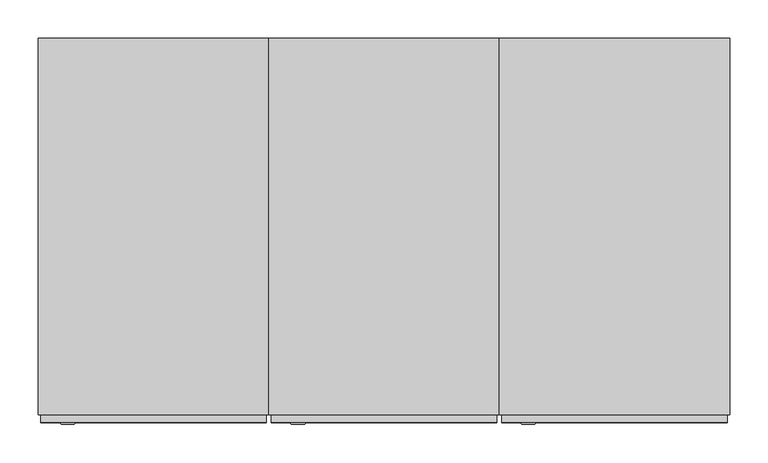
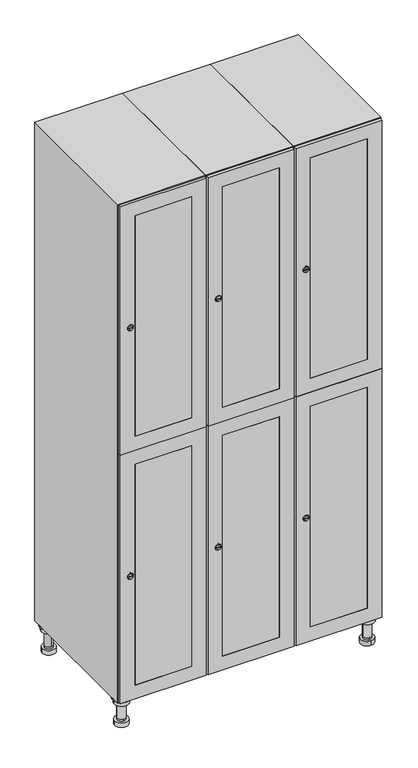
"""IFC4 building model written with IfcOpenShell, lengths in millimetres: furniture geometry."""

from ifc_helpers import new_model, si_unit, point, frame, frame_2d, origin, place, context, project, spatial, polyline, circle_curve, trimmed, segment, composite_curve, outline, extrude, faceted_brep, source, transform, mapped, element, save
from ifc_brep_helpers import plane_surface, cylinder_surface, revolved_surface, advanced_brep


def furniture_b969896b(model_context):
    return source(origin(), model_context, "Body", "SolidModel", [
        advanced_brep(
        [(670.0, -201.0, 22.0), (670.0, -201.5, 16.0), (670.0, -228.5, 16.0), (670.0, -229.0, 22.0), (656.0, -215.0, 22.0), (684.0, -215.0, 22.0), (670.0, -192.5, 16.0), (670.0, -237.5, 16.0), (670.0, -192.5, 0.0), (670.0, -237.5, 0.0), (684.0, -215.0, 78.0), (656.0, -215.0, 78.0), (695.0, -215.0, 78.0), (645.0, -215.0, 78.0), (700.0, -215.0, 94.0), (640.0, -215.0, 94.0), (645.0, -215.0, 94.0), (695.0, -215.0, 94.0), (700.0, -215.0, 100.0), (640.0, -215.0, 100.0)],
        [
            (0, 1),
            (1, 2, circle_curve(frame((670.0, -215.0, 16.0), z_axis=(0.0, 0.0, 1.0), x_axis=(0.0, -1.0, 0.0)), 13.5)),
            (2, 3),
            (3, 4, circle_curve(frame((670.0, -215.0, 22.0), z_axis=(0.0, 0.0, -1.0), x_axis=(0.0, -1.0, 0.0)), 14.0)),
            (4, 0, circle_curve(frame((670.0, -215.0, 22.0), z_axis=(0.0, 0.0, -1.0), x_axis=(0.0, -1.0, 0.0)), 14.0)),
            (0, 5, circle_curve(frame((670.0, -215.0, 22.0), z_axis=(0.0, 0.0, -1.0), x_axis=(0.0, 1.0, 0.0)), 14.0)),
            (5, 3, circle_curve(frame((670.0, -215.0, 22.0), z_axis=(0.0, 0.0, -1.0), x_axis=(0.0, 1.0, 0.0)), 14.0)),
            (2, 1, circle_curve(frame((670.0, -215.0, 16.0), z_axis=(0.0, 0.0, 1.0), x_axis=(0.0, 1.0, 0.0)), 13.5)),
            (6, 7, circle_curve(frame((670.0, -215.0, 16.0), z_axis=(0.0, 0.0, 1.0), x_axis=(0.0, -1.0, 0.0)), 22.5)),
            (7, 6, circle_curve(frame((670.0, -215.0, 16.0), z_axis=(0.0, 0.0, 1.0), x_axis=(0.0, -1.0, 0.0)), 22.5)),
            (8, 9, circle_curve(frame((670.0, -215.0, 0.0), z_axis=(0.0, 0.0, -1.0), x_axis=(0.0, -1.0, 0.0)), 22.5)),
            (9, 8, circle_curve(frame((670.0, -215.0, 0.0), z_axis=(0.0, 0.0, -1.0), x_axis=(0.0, -1.0, 0.0)), 22.5)),
            (6, 8),
            (9, 7),
            (5, 10),
            (10, 11, circle_curve(frame((670.0, -215.0, 78.0), z_axis=(0.0, 0.0, -1.0), x_axis=(-1.0, 0.0, 0.0)), 14.0)),
            (11, 4),
            (11, 10, circle_curve(frame((670.0, -215.0, 78.0), z_axis=(0.0, 0.0, -1.0), x_axis=(-1.0, 0.0, 0.0)), 14.0)),
            (12, 13, circle_curve(frame((670.0, -215.0, 78.0), z_axis=(0.0, 0.0, -1.0), x_axis=(-1.0, 0.0, 0.0)), 25.0)),
            (13, 12, circle_curve(frame((670.0, -215.0, 78.0), z_axis=(0.0, 0.0, -1.0), x_axis=(-1.0, 0.0, 0.0)), 25.0)),
            (14, 15, circle_curve(frame((670.0, -215.0, 94.0), z_axis=(0.0, 0.0, -1.0), x_axis=(-1.0, 0.0, 0.0)), 30.0)),
            (15, 14, circle_curve(frame((670.0, -215.0, 94.0), z_axis=(0.0, 0.0, -1.0), x_axis=(-1.0, 0.0, 0.0)), 30.0)),
            (16, 17, circle_curve(frame((670.0, -215.0, 94.0), z_axis=(0.0, 0.0, 1.0), x_axis=(-1.0, 0.0, 0.0)), 25.0)),
            (17, 16, circle_curve(frame((670.0, -215.0, 94.0), z_axis=(0.0, 0.0, 1.0), x_axis=(-1.0, 0.0, 0.0)), 25.0)),
            (18, 19, circle_curve(frame((670.0, -215.0, 100.0), z_axis=(0.0, 0.0, 1.0), x_axis=(-1.0, 0.0, 0.0)), 30.0)),
            (19, 18, circle_curve(frame((670.0, -215.0, 100.0), z_axis=(0.0, 0.0, 1.0), x_axis=(-1.0, 0.0, 0.0)), 30.0)),
            (14, 18),
            (19, 15),
            (12, 17),
            (16, 13),
        ],
        [
            revolved_surface(polyline([(670.0, -201.5, 16.0), (670.0, -201.0, 22.0)]), (670.0, -215.0, -146.0), (0.0, 0.0, 1.0)),
            plane_surface(frame((670.0, 0.0, 16.0), z_axis=(0.0, 0.0, 1.0), x_axis=(0.0, -1.0, 0.0))),
            plane_surface(frame((670.0, 0.0, 0.0), z_axis=(0.0, 0.0, -1.0), x_axis=(0.0, -1.0, 0.0))),
            cylinder_surface(frame((670.0, -215.0, 16.0), z_axis=(0.0, 0.0, 1.0), x_axis=(0.0, -1.0, 0.0)), 22.5),
            cylinder_surface(frame((670.0, -215.0, 22.0), z_axis=(0.0, 0.0, -1.0), x_axis=(-1.0, 0.0, 0.0)), 14.0),
            plane_surface(frame((670.0, 0.0, 78.0), z_axis=(0.0, 0.0, -1.0), x_axis=(0.0, -1.0, 0.0))),
            plane_surface(frame((670.0, 0.0, 94.0), z_axis=(0.0, 0.0, -1.0), x_axis=(0.0, -1.0, 0.0))),
            plane_surface(frame((670.0, 0.0, 100.0), z_axis=(0.0, 0.0, 1.0), x_axis=(0.0, -1.0, 0.0))),
            cylinder_surface(frame((670.0, -215.0, 94.0), z_axis=(0.0, 0.0, -1.0), x_axis=(-1.0, 0.0, 0.0)), 30.0),
            cylinder_surface(frame((670.0, -215.0, 78.0), z_axis=(0.0, 0.0, -1.0), x_axis=(-1.0, 0.0, 0.0)), 25.0),
        ],
        [
            (0, [[1, 2, 3, 4, 5]]),
            (0, [[-1, 6, 7, -3, 8]]),
            (1, [[9, 10], [-2, -8]]),
            (2, [[11, 12]]),
            (3, [[-9, 13, -12, 14]]),
            (3, [[-10, -14, -11, -13]]),
            (4, [[15, 16, 17, -4, -7]]),
            (4, [[-15, -6, -5, -17, 18]]),
            (5, [[19, 20], [-16, -18]]),
            (6, [[21, 22], [23, 24]]),
            (7, [[25, 26]]),
            (8, [[-21, 27, -26, 28]]),
            (8, [[-22, -28, -25, -27]]),
            (9, [[-19, 29, -23, 30]]),
            (9, [[-20, -30, -24, -29]]),
        ],
    ),
        advanced_brep(
        [(-170.0, -201.0, 22.0), (-170.0, -201.5, 16.0), (-170.0, -228.5, 16.0), (-170.0, -229.0, 22.0), (-184.0, -215.0, 22.0), (-156.0, -215.0, 22.0), (-147.5, -215.0, 0.0), (-192.5, -215.0, 0.0), (-147.5, -215.0, 16.0), (-192.5, -215.0, 16.0), (-156.0, -215.0, 78.0), (-184.0, -215.0, 78.0), (-145.0, -215.0, 78.0), (-195.0, -215.0, 78.0), (-140.0, -215.0, 94.0), (-200.0, -215.0, 94.0), (-195.0, -215.0, 94.0), (-145.0, -215.0, 94.0), (-140.0, -215.0, 100.0), (-200.0, -215.0, 100.0)],
        [
            (0, 1),
            (1, 2, circle_curve(frame((-170.0, -215.0, 16.0), z_axis=(0.0, 0.0, 1.0), x_axis=(0.0, -1.0, 0.0)), 13.5)),
            (2, 3),
            (3, 4, circle_curve(frame((-170.0, -215.0, 22.0), z_axis=(0.0, 0.0, -1.0), x_axis=(0.0, -1.0, 0.0)), 14.0)),
            (4, 0, circle_curve(frame((-170.0, -215.0, 22.0), z_axis=(0.0, 0.0, -1.0), x_axis=(0.0, -1.0, 0.0)), 14.0)),
            (0, 5, circle_curve(frame((-170.0, -215.0, 22.0), z_axis=(0.0, 0.0, -1.0), x_axis=(0.0, 1.0, 0.0)), 14.0)),
            (5, 3, circle_curve(frame((-170.0, -215.0, 22.0), z_axis=(0.0, 0.0, -1.0), x_axis=(0.0, 1.0, 0.0)), 14.0)),
            (2, 1, circle_curve(frame((-170.0, -215.0, 16.0), z_axis=(0.0, 0.0, 1.0), x_axis=(0.0, 1.0, 0.0)), 13.5)),
            (6, 7, circle_curve(frame((-170.0, -215.0, 0.0), z_axis=(0.0, 0.0, -1.0), x_axis=(-1.0, 0.0, 0.0)), 22.5)),
            (7, 6, circle_curve(frame((-170.0, -215.0, 0.0), z_axis=(0.0, 0.0, -1.0), x_axis=(-1.0, 0.0, 0.0)), 22.5)),
            (8, 9, circle_curve(frame((-170.0, -215.0, 16.0), z_axis=(0.0, 0.0, 1.0), x_axis=(-1.0, 0.0, 0.0)), 22.5)),
            (9, 8, circle_curve(frame((-170.0, -215.0, 16.0), z_axis=(0.0, 0.0, 1.0), x_axis=(-1.0, 0.0, 0.0)), 22.5)),
            (6, 8),
            (9, 7),
            (5, 10),
            (10, 11, circle_curve(frame((-170.0, -215.0, 78.0), z_axis=(0.0, 0.0, -1.0), x_axis=(-1.0, 0.0, 0.0)), 14.0)),
            (11, 4),
            (11, 10, circle_curve(frame((-170.0, -215.0, 78.0), z_axis=(0.0, 0.0, -1.0), x_axis=(-1.0, 0.0, 0.0)), 14.0)),
            (12, 13, circle_curve(frame((-170.0, -215.0, 78.0), z_axis=(0.0, 0.0, -1.0), x_axis=(-1.0, 0.0, 0.0)), 25.0)),
            (13, 12, circle_curve(frame((-170.0, -215.0, 78.0), z_axis=(0.0, 0.0, -1.0), x_axis=(-1.0, 0.0, 0.0)), 25.0)),
            (14, 15, circle_curve(frame((-170.0, -215.0, 94.0), z_axis=(0.0, 0.0, -1.0), x_axis=(-1.0, 0.0, 0.0)), 30.0)),
            (15, 14, circle_curve(frame((-170.0, -215.0, 94.0), z_axis=(0.0, 0.0, -1.0), x_axis=(-1.0, 0.0, 0.0)), 30.0)),
            (16, 17, circle_curve(frame((-170.0, -215.0, 94.0), z_axis=(0.0, 0.0, 1.0), x_axis=(-1.0, 0.0, 0.0)), 25.0)),
            (17, 16, circle_curve(frame((-170.0, -215.0, 94.0), z_axis=(0.0, 0.0, 1.0), x_axis=(-1.0, 0.0, 0.0)), 25.0)),
            (18, 19, circle_curve(frame((-170.0, -215.0, 100.0), z_axis=(0.0, 0.0, 1.0), x_axis=(-1.0, 0.0, 0.0)), 30.0)),
            (19, 18, circle_curve(frame((-170.0, -215.0, 100.0), z_axis=(0.0, 0.0, 1.0), x_axis=(-1.0, 0.0, 0.0)), 30.0)),
            (14, 18),
            (19, 15),
            (12, 17),
            (16, 13),
        ],
        [
            revolved_surface(polyline([(-170.0, -201.5, 16.0), (-170.0, -201.0, 22.0)]), (-170.0, -215.0, -146.0), (0.0, 0.0, 1.0)),
            plane_surface(frame((-170.0, 0.0, 0.0), z_axis=(0.0, 0.0, -1.0), x_axis=(0.0, -1.0, 0.0))),
            plane_surface(frame((-170.0, 0.0, 16.0), z_axis=(0.0, 0.0, 1.0), x_axis=(0.0, -1.0, 0.0))),
            cylinder_surface(frame((-170.0, -215.0, 0.0), z_axis=(0.0, 0.0, -1.0), x_axis=(-1.0, 0.0, 0.0)), 22.5),
            cylinder_surface(frame((-170.0, -215.0, 22.0), z_axis=(0.0, 0.0, -1.0), x_axis=(-1.0, 0.0, 0.0)), 14.0),
            plane_surface(frame((-170.0, 0.0, 78.0), z_axis=(0.0, 0.0, -1.0), x_axis=(0.0, -1.0, 0.0))),
            plane_surface(frame((-170.0, 0.0, 94.0), z_axis=(0.0, 0.0, -1.0), x_axis=(0.0, -1.0, 0.0))),
            plane_surface(frame((-170.0, 0.0, 100.0), z_axis=(0.0, 0.0, 1.0), x_axis=(0.0, -1.0, 0.0))),
            cylinder_surface(frame((-170.0, -215.0, 94.0), z_axis=(0.0, 0.0, -1.0), x_axis=(-1.0, 0.0, 0.0)), 30.0),
            cylinder_surface(frame((-170.0, -215.0, 78.0), z_axis=(0.0, 0.0, -1.0), x_axis=(-1.0, 0.0, 0.0)), 25.0),
        ],
        [
            (0, [[1, 2, 3, 4, 5]]),
            (0, [[-1, 6, 7, -3, 8]]),
            (1, [[9, 10]]),
            (2, [[11, 12], [-2, -8]]),
            (3, [[-9, 13, -12, 14]]),
            (3, [[-10, -14, -11, -13]]),
            (4, [[15, 16, 17, -4, -7]]),
            (4, [[-15, -6, -5, -17, 18]]),
            (5, [[19, 20], [-16, -18]]),
            (6, [[21, 22], [23, 24]]),
            (7, [[25, 26]]),
            (8, [[-21, 27, -26, 28]]),
            (8, [[-22, -28, -25, -27]]),
            (9, [[-19, 29, -23, 30]]),
            (9, [[-20, -30, -24, -29]]),
        ],
    ),
        advanced_brep(
        [(683.5, 215.0, 16.0), (684.0, 215.0, 22.0), (656.0, 215.0, 22.0), (656.5, 215.0, 16.0), (692.5, 215.0, 0.0), (647.5, 215.0, 0.0), (692.5, 215.0, 16.0), (647.5, 215.0, 16.0), (684.0, 215.0, 78.0), (656.0, 215.0, 78.0), (695.0, 215.0, 78.0), (645.0, 215.0, 78.0), (700.0, 215.0, 94.0), (640.0, 215.0, 94.0), (645.0, 215.0, 94.0), (695.0, 215.0, 94.0), (700.0, 215.0, 100.0), (640.0, 215.0, 100.0)],
        [
            (0, 1),
            (1, 2, circle_curve(frame((670.0, 215.0, 22.0), z_axis=(0.0, 0.0, -1.0), x_axis=(-1.0, 0.0, 0.0)), 14.0)),
            (2, 3),
            (3, 0, circle_curve(frame((670.0, 215.0, 16.0), z_axis=(0.0, 0.0, 1.0), x_axis=(-1.0, 0.0, 0.0)), 13.5)),
            (0, 3, circle_curve(frame((670.0, 215.0, 16.0), z_axis=(0.0, 0.0, 1.0), x_axis=(1.0, 0.0, 0.0)), 13.5)),
            (2, 1, circle_curve(frame((670.0, 215.0, 22.0), z_axis=(0.0, 0.0, -1.0), x_axis=(1.0, 0.0, 0.0)), 14.0)),
            (4, 5, circle_curve(frame((670.0, 215.0, 0.0), z_axis=(0.0, 0.0, -1.0), x_axis=(-1.0, 0.0, 0.0)), 22.5)),
            (5, 4, circle_curve(frame((670.0, 215.0, 0.0), z_axis=(0.0, 0.0, -1.0), x_axis=(-1.0, 0.0, 0.0)), 22.5)),
            (6, 7, circle_curve(frame((670.0, 215.0, 16.0), z_axis=(0.0, 0.0, 1.0), x_axis=(-1.0, 0.0, 0.0)), 22.5)),
            (7, 6, circle_curve(frame((670.0, 215.0, 16.0), z_axis=(0.0, 0.0, 1.0), x_axis=(-1.0, 0.0, 0.0)), 22.5)),
            (4, 6),
            (7, 5),
            (1, 8),
            (8, 9, circle_curve(frame((670.0, 215.0, 78.0), z_axis=(0.0, 0.0, -1.0), x_axis=(-1.0, 0.0, 0.0)), 14.0)),
            (9, 2),
            (9, 8, circle_curve(frame((670.0, 215.0, 78.0), z_axis=(0.0, 0.0, -1.0), x_axis=(-1.0, 0.0, 0.0)), 14.0)),
            (10, 11, circle_curve(frame((670.0, 215.0, 78.0), z_axis=(0.0, 0.0, -1.0), x_axis=(-1.0, 0.0, 0.0)), 25.0)),
            (11, 10, circle_curve(frame((670.0, 215.0, 78.0), z_axis=(0.0, 0.0, -1.0), x_axis=(-1.0, 0.0, 0.0)), 25.0)),
            (12, 13, circle_curve(frame((670.0, 215.0, 94.0), z_axis=(0.0, 0.0, -1.0), x_axis=(-1.0, 0.0, 0.0)), 30.0)),
            (13, 12, circle_curve(frame((670.0, 215.0, 94.0), z_axis=(0.0, 0.0, -1.0), x_axis=(-1.0, 0.0, 0.0)), 30.0)),
            (14, 15, circle_curve(frame((670.0, 215.0, 94.0), z_axis=(0.0, 0.0, 1.0), x_axis=(-1.0, 0.0, 0.0)), 25.0)),
            (15, 14, circle_curve(frame((670.0, 215.0, 94.0), z_axis=(0.0, 0.0, 1.0), x_axis=(-1.0, 0.0, 0.0)), 25.0)),
            (16, 17, circle_curve(frame((670.0, 215.0, 100.0), z_axis=(0.0, 0.0, 1.0), x_axis=(-1.0, 0.0, 0.0)), 30.0)),
            (17, 16, circle_curve(frame((670.0, 215.0, 100.0), z_axis=(0.0, 0.0, 1.0), x_axis=(-1.0, 0.0, 0.0)), 30.0)),
            (12, 16),
            (17, 13),
            (10, 15),
            (14, 11),
        ],
        [
            revolved_surface(polyline([(683.5, 215.0, 16.0), (684.0, 215.0, 22.0)]), (670.0, 215.0, -146.0), (0.0, 0.0, 1.0)),
            plane_surface(frame((670.0, 0.0, 0.0), z_axis=(0.0, 0.0, -1.0), x_axis=(0.0, -1.0, 0.0))),
            plane_surface(frame((670.0, 0.0, 16.0), z_axis=(0.0, 0.0, 1.0), x_axis=(0.0, -1.0, 0.0))),
            cylinder_surface(frame((670.0, 215.0, 0.0), z_axis=(0.0, 0.0, -1.0), x_axis=(-1.0, 0.0, 0.0)), 22.5),
            cylinder_surface(frame((670.0, 215.0, 22.0), z_axis=(0.0, 0.0, -1.0), x_axis=(-1.0, 0.0, 0.0)), 14.0),
            plane_surface(frame((670.0, 0.0, 78.0), z_axis=(0.0, 0.0, -1.0), x_axis=(0.0, -1.0, 0.0))),
            plane_surface(frame((670.0, 0.0, 94.0), z_axis=(0.0, 0.0, -1.0), x_axis=(0.0, -1.0, 0.0))),
            plane_surface(frame((670.0, 0.0, 100.0), z_axis=(0.0, 0.0, 1.0), x_axis=(0.0, -1.0, 0.0))),
            cylinder_surface(frame((670.0, 215.0, 94.0), z_axis=(0.0, 0.0, -1.0), x_axis=(-1.0, 0.0, 0.0)), 30.0),
            cylinder_surface(frame((670.0, 215.0, 78.0), z_axis=(0.0, 0.0, -1.0), x_axis=(-1.0, 0.0, 0.0)), 25.0),
        ],
        [
            (0, [[1, 2, 3, 4]]),
            (0, [[-1, 5, -3, 6]]),
            (1, [[7, 8]]),
            (2, [[9, 10], [-4, -5]]),
            (3, [[-7, 11, -10, 12]]),
            (3, [[-8, -12, -9, -11]]),
            (4, [[13, 14, 15, -2]]),
            (4, [[-13, -6, -15, 16]]),
            (5, [[17, 18], [-14, -16]]),
            (6, [[19, 20], [21, 22]]),
            (7, [[23, 24]]),
            (8, [[-19, 25, -24, 26]]),
            (8, [[-20, -26, -23, -25]]),
            (9, [[-17, 27, -21, 28]]),
            (9, [[-18, -28, -22, -27]]),
        ],
    ),
        advanced_brep(
        [(-156.5, 215.0, 16.0), (-156.0, 215.0, 22.0), (-170.0, 201.0, 22.0), (-184.0, 215.0, 22.0), (-183.5, 215.0, 16.0), (-170.0, 229.0, 22.0), (-147.5, 215.0, 0.0), (-192.5, 215.0, 0.0), (-147.5, 215.0, 16.0), (-192.5, 215.0, 16.0), (-170.0, 229.0, 78.0), (-170.0, 201.0, 78.0), (-145.0, 215.0, 78.0), (-195.0, 215.0, 78.0), (-140.0, 215.0, 94.0), (-200.0, 215.0, 94.0), (-195.0, 215.0, 94.0), (-145.0, 215.0, 94.0), (-140.0, 215.0, 100.0), (-200.0, 215.0, 100.0)],
        [
            (0, 1),
            (1, 2, circle_curve(frame((-170.0, 215.0, 22.0), z_axis=(0.0, 0.0, -1.0), x_axis=(-1.0, 0.0, 0.0)), 14.0)),
            (2, 3, circle_curve(frame((-170.0, 215.0, 22.0), z_axis=(0.0, 0.0, -1.0), x_axis=(-1.0, 0.0, 0.0)), 14.0)),
            (3, 4),
            (4, 0, circle_curve(frame((-170.0, 215.0, 16.0), z_axis=(0.0, 0.0, 1.0), x_axis=(-1.0, 0.0, 0.0)), 13.5)),
            (0, 4, circle_curve(frame((-170.0, 215.0, 16.0), z_axis=(0.0, 0.0, 1.0), x_axis=(1.0, 0.0, 0.0)), 13.5)),
            (3, 5, circle_curve(frame((-170.0, 215.0, 22.0), z_axis=(0.0, 0.0, -1.0), x_axis=(1.0, 0.0, 0.0)), 14.0)),
            (5, 1, circle_curve(frame((-170.0, 215.0, 22.0), z_axis=(0.0, 0.0, -1.0), x_axis=(1.0, 0.0, 0.0)), 14.0)),
            (6, 7, circle_curve(frame((-170.0, 215.0, 0.0), z_axis=(0.0, 0.0, -1.0), x_axis=(-1.0, 0.0, 0.0)), 22.5)),
            (7, 6, circle_curve(frame((-170.0, 215.0, 0.0), z_axis=(0.0, 0.0, -1.0), x_axis=(-1.0, 0.0, 0.0)), 22.5)),
            (8, 9, circle_curve(frame((-170.0, 215.0, 16.0), z_axis=(0.0, 0.0, 1.0), x_axis=(-1.0, 0.0, 0.0)), 22.5)),
            (9, 8, circle_curve(frame((-170.0, 215.0, 16.0), z_axis=(0.0, 0.0, 1.0), x_axis=(-1.0, 0.0, 0.0)), 22.5)),
            (6, 8),
            (9, 7),
            (10, 5),
            (2, 11),
            (11, 10, circle_curve(frame((-170.0, 215.0, 78.0), z_axis=(0.0, 0.0, -1.0), x_axis=(0.0, -1.0, 0.0)), 14.0)),
            (10, 11, circle_curve(frame((-170.0, 215.0, 78.0), z_axis=(0.0, 0.0, -1.0), x_axis=(0.0, -1.0, 0.0)), 14.0)),
            (12, 13, circle_curve(frame((-170.0, 215.0, 78.0), z_axis=(0.0, 0.0, -1.0), x_axis=(-1.0, 0.0, 0.0)), 25.0)),
            (13, 12, circle_curve(frame((-170.0, 215.0, 78.0), z_axis=(0.0, 0.0, -1.0), x_axis=(-1.0, 0.0, 0.0)), 25.0)),
            (14, 15, circle_curve(frame((-170.0, 215.0, 94.0), z_axis=(0.0, 0.0, -1.0), x_axis=(-1.0, 0.0, 0.0)), 30.0)),
            (15, 14, circle_curve(frame((-170.0, 215.0, 94.0), z_axis=(0.0, 0.0, -1.0), x_axis=(-1.0, 0.0, 0.0)), 30.0)),
            (16, 17, circle_curve(frame((-170.0, 215.0, 94.0), z_axis=(0.0, 0.0, 1.0), x_axis=(-1.0, 0.0, 0.0)), 25.0)),
            (17, 16, circle_curve(frame((-170.0, 215.0, 94.0), z_axis=(0.0, 0.0, 1.0), x_axis=(-1.0, 0.0, 0.0)), 25.0)),
            (18, 19, circle_curve(frame((-170.0, 215.0, 100.0), z_axis=(0.0, 0.0, 1.0), x_axis=(-1.0, 0.0, 0.0)), 30.0)),
            (19, 18, circle_curve(frame((-170.0, 215.0, 100.0), z_axis=(0.0, 0.0, 1.0), x_axis=(-1.0, 0.0, 0.0)), 30.0)),
            (14, 18),
            (19, 15),
            (12, 17),
            (16, 13),
        ],
        [
            revolved_surface(polyline([(-156.5, 215.0, 16.0), (-156.0, 215.0, 22.0)]), (-170.0, 215.0, -146.0), (0.0, 0.0, 1.0)),
            plane_surface(frame((-170.0, 0.0, 0.0), z_axis=(0.0, 0.0, -1.0), x_axis=(0.0, -1.0, 0.0))),
            plane_surface(frame((-170.0, 0.0, 16.0), z_axis=(0.0, 0.0, 1.0), x_axis=(0.0, -1.0, 0.0))),
            cylinder_surface(frame((-170.0, 215.0, 0.0), z_axis=(0.0, 0.0, -1.0), x_axis=(-1.0, 0.0, 0.0)), 22.5),
            cylinder_surface(frame((-170.0, 215.0, 78.0), z_axis=(0.0, 0.0, 1.0), x_axis=(0.0, -1.0, 0.0)), 14.0),
            plane_surface(frame((-170.0, 0.0, 78.0), z_axis=(0.0, 0.0, -1.0), x_axis=(0.0, -1.0, 0.0))),
            plane_surface(frame((-170.0, 0.0, 94.0), z_axis=(0.0, 0.0, -1.0), x_axis=(0.0, -1.0, 0.0))),
            plane_surface(frame((-170.0, 0.0, 100.0), z_axis=(0.0, 0.0, 1.0), x_axis=(0.0, -1.0, 0.0))),
            cylinder_surface(frame((-170.0, 215.0, 94.0), z_axis=(0.0, 0.0, -1.0), x_axis=(-1.0, 0.0, 0.0)), 30.0),
            cylinder_surface(frame((-170.0, 215.0, 78.0), z_axis=(0.0, 0.0, -1.0), x_axis=(-1.0, 0.0, 0.0)), 25.0),
        ],
        [
            (0, [[1, 2, 3, 4, 5]]),
            (0, [[-1, 6, -4, 7, 8]]),
            (1, [[9, 10]]),
            (2, [[11, 12], [-5, -6]]),
            (3, [[-9, 13, -12, 14]]),
            (3, [[-10, -14, -11, -13]]),
            (4, [[15, -7, -3, 16, 17]]),
            (4, [[-15, 18, -16, -2, -8]]),
            (5, [[19, 20], [-17, -18]]),
            (6, [[21, 22], [23, 24]]),
            (7, [[25, 26]]),
            (8, [[-21, 27, -26, 28]]),
            (8, [[-22, -28, -25, -27]]),
            (9, [[-19, 29, -23, 30]]),
            (9, [[-20, -30, -24, -29]]),
        ],
    ),
        extrude(outline(composite_curve([segment(trimmed(circle_curve(frame_2d((1448.5, 411.2010534)), 7.0), [point((1455.5, 411.2010534))], [point((1441.5, 411.2010534))], False, "CARTESIAN"), True, "CONTINUOUS"), segment(polyline([(1441.5, 411.2010534), (1441.5, 439.2010534)]), True, "CONTINUOUS"), segment(trimmed(circle_curve(frame_2d((1448.5, 439.2010534)), 7.0), [point((1441.5, 439.2010534))], [point((1455.5, 439.2010534))], False, "CARTESIAN"), True, "CONTINUOUS"), segment(polyline([(1455.5, 439.2010534), (1455.5, 411.2010534)]), True, "CONTINUOUS")], self_intersect=False)), frame((0.0, -245.0, 0.0), z_axis=(0.0, 1.0, 0.0), x_axis=(0.0, 0.0, 1.0)), (0.0, 0.0, 1.0), 2.0),
        advanced_brep(
        [(446.5, -257.2, 1448.5), (429.5, -257.2, 1448.5), (433.0, -257.2, 1447.25), (433.0, -257.2, 1449.75), (443.0, -257.2, 1449.75), (443.0, -257.2, 1447.25), (448.5, -255.0, 1448.5), (427.5, -255.0, 1448.5), (433.0, -255.0, 1449.75), (433.0, -255.0, 1447.25), (443.0, -255.0, 1447.25), (443.0, -255.0, 1449.75)],
        [
            (0, 1, circle_curve(frame((438.0, -257.2, 1448.5), z_axis=(0.0, -1.0, 0.0), x_axis=(1.0, 0.0, 0.0)), 8.5)),
            (1, 0, circle_curve(frame((438.0, -257.2, 1448.5), z_axis=(0.0, -1.0, 0.0), x_axis=(-1.0, 0.0, 0.0)), 8.5)),
            (2, 3),
            (3, 4),
            (4, 5),
            (5, 2),
            (6, 7, circle_curve(frame((438.0, -255.0, 1448.5), z_axis=(0.0, 1.0, 0.0), x_axis=(-1.0, 0.0, 0.0)), 10.5)),
            (7, 6, circle_curve(frame((438.0, -255.0, 1448.5), z_axis=(0.0, 1.0, 0.0), x_axis=(1.0, 0.0, 0.0)), 10.5)),
            (8, 9),
            (9, 10),
            (10, 11),
            (11, 8),
            (0, 6),
            (7, 1),
            (8, 3),
            (2, 9),
            (11, 4),
            (10, 5),
        ],
        [
            plane_surface(frame((438.0, -257.2, 1448.5), z_axis=(0.0, -1.0, 0.0), x_axis=(0.0, 0.0, 1.0))),
            plane_surface(frame((438.0, -255.0, 1448.5), z_axis=(0.0, 1.0, 0.0), x_axis=(0.0, 0.0, 1.0))),
            revolved_surface(polyline([(446.5, -257.2, 1448.5), (448.5, -255.0, 1448.5)]), (438.0, -266.55, 1448.5), (0.0, 1.0, 0.0)),
            revolved_surface(polyline([(429.5, -257.2, 1448.5), (427.5, -255.0, 1448.5)]), (438.0, -266.55, 1448.5), (0.0, 1.0, 0.0)),
            plane_surface(frame((433.0, -255.0, 1447.25), z_axis=(1.0, 0.0, 0.0), x_axis=(0.0, -1.0, 0.0))),
            plane_surface(frame((433.0, -255.0, 1449.75), z_axis=(0.0, 0.0, -1.0), x_axis=(0.0, -1.0, 0.0))),
            plane_surface(frame((443.0, -255.0, 1449.75), z_axis=(-1.0, 0.0, 0.0), x_axis=(0.0, -1.0, 0.0))),
            plane_surface(frame((443.0, -255.0, 1447.25), z_axis=(0.0, 0.0, 1.0), x_axis=(0.0, -1.0, 0.0))),
        ],
        [
            (0, [[1, 2], [3, 4, 5, 6]]),
            (1, [[7, 8], [9, 10, 11, 12]]),
            (2, [[-1, 13, -8, 14]]),
            (3, [[-2, -14, -7, -13]]),
            (4, [[15, -3, 16, -9]]),
            (5, [[-15, -12, 17, -4]]),
            (6, [[-17, -11, 18, -5]]),
            (7, [[-16, -6, -18, -10]]),
        ],
    ),
        extrude(outline(composite_curve([segment(trimmed(circle_curve(frame_2d((551.5, 411.2010534)), 7.0), [point((558.5, 411.2010534))], [point((544.5, 411.2010534))], False, "CARTESIAN"), True, "CONTINUOUS"), segment(polyline([(544.5, 411.2010534), (544.5, 439.2010534)]), True, "CONTINUOUS"), segment(trimmed(circle_curve(frame_2d((551.5, 439.2010534)), 7.0), [point((544.5, 439.2010534))], [point((558.5, 439.2010534))], False, "CARTESIAN"), True, "CONTINUOUS"), segment(polyline([(558.5, 439.2010534), (558.5, 411.2010534)]), True, "CONTINUOUS")], self_intersect=False)), frame((0.0, -245.0, 0.0), z_axis=(0.0, 1.0, 0.0), x_axis=(0.0, 0.0, 1.0)), (0.0, 0.0, 1.0), 2.0),
        advanced_brep(
        [(446.5, -257.2, 551.5), (429.5, -257.2, 551.5), (433.0, -257.2, 550.25), (433.0, -257.2, 552.75), (443.0, -257.2, 552.75), (443.0, -257.2, 550.25), (448.5, -255.0, 551.5), (427.5, -255.0, 551.5), (433.0, -255.0, 552.75), (433.0, -255.0, 550.25), (443.0, -255.0, 550.25), (443.0, -255.0, 552.75)],
        [
            (0, 1, circle_curve(frame((438.0, -257.2, 551.5), z_axis=(0.0, -1.0, 0.0), x_axis=(1.0, 0.0, 0.0)), 8.5)),
            (1, 0, circle_curve(frame((438.0, -257.2, 551.5), z_axis=(0.0, -1.0, 0.0), x_axis=(-1.0, 0.0, 0.0)), 8.5)),
            (2, 3),
            (3, 4),
            (4, 5),
            (5, 2),
            (6, 7, circle_curve(frame((438.0, -255.0, 551.5), z_axis=(0.0, 1.0, 0.0), x_axis=(-1.0, 0.0, 0.0)), 10.5)),
            (7, 6, circle_curve(frame((438.0, -255.0, 551.5), z_axis=(0.0, 1.0, 0.0), x_axis=(1.0, 0.0, 0.0)), 10.5)),
            (8, 9),
            (9, 10),
            (10, 11),
            (11, 8),
            (0, 6),
            (7, 1),
            (8, 3),
            (2, 9),
            (11, 4),
            (10, 5),
        ],
        [
            plane_surface(frame((438.0, -257.2, 551.5), z_axis=(0.0, -1.0, 0.0), x_axis=(0.0, 0.0, 1.0))),
            plane_surface(frame((438.0, -255.0, 551.5), z_axis=(0.0, 1.0, 0.0), x_axis=(0.0, 0.0, 1.0))),
            revolved_surface(polyline([(446.5, -257.2, 551.5), (448.5, -255.0, 551.5)]), (438.0, -266.55, 551.5), (0.0, 1.0, 0.0)),
            revolved_surface(polyline([(429.5, -257.2, 551.5), (427.5, -255.0, 551.5)]), (438.0, -266.55, 551.5), (0.0, 1.0, 0.0)),
            plane_surface(frame((433.0, -255.0, 550.25), z_axis=(1.0, 0.0, 0.0), x_axis=(0.0, -1.0, 0.0))),
            plane_surface(frame((433.0, -255.0, 552.75), z_axis=(0.0, 0.0, -1.0), x_axis=(0.0, -1.0, 0.0))),
            plane_surface(frame((443.0, -255.0, 552.75), z_axis=(-1.0, 0.0, 0.0), x_axis=(0.0, -1.0, 0.0))),
            plane_surface(frame((443.0, -255.0, 550.25), z_axis=(0.0, 0.0, 1.0), x_axis=(0.0, -1.0, 0.0))),
        ],
        [
            (0, [[1, 2], [3, 4, 5, 6]]),
            (1, [[7, 8], [9, 10, 11, 12]]),
            (2, [[-1, 13, -8, 14]]),
            (3, [[-2, -14, -7, -13]]),
            (4, [[15, -3, 16, -9]]),
            (5, [[-15, -12, 17, -4]]),
            (6, [[-17, -11, 18, -5]]),
            (7, [[-16, -6, -18, -10]]),
        ],
    ),
        extrude(outline(polyline([(1000.5, 697.0), (1897.0, 697.0), (1897.0, 403.0), (1000.5, 403.0), (1000.5, 697.0)]), holes=[polyline([(1847.0, 453.0), (1847.0, 647.0), (1050.5, 647.0), (1050.5, 453.0), (1847.0, 453.0)])]), frame((0.0, -255.0, 0.0), z_axis=(0.0, 1.0, 0.0), x_axis=(0.0, 0.0, 1.0)), (0.0, 0.0, 1.0), 10.0),
        extrude(outline(polyline([(999.5, 403.0), (103.0, 403.0), (103.0, 697.0), (999.5, 697.0), (999.5, 403.0)]), holes=[polyline([(153.0, 453.0), (949.5, 453.0), (949.5, 647.0), (153.0, 647.0), (153.0, 453.0)])]), frame((0.0, -255.0, 0.0), z_axis=(0.0, 1.0, 0.0), x_axis=(0.0, 0.0, 1.0)), (0.0, 0.0, 1.0), 10.0),
        extrude(outline(polyline([(647.0, -255.0), (453.0, -255.0), (453.0, -245.0), (647.0, -245.0), (647.0, -255.0)])), frame((0.0, 0.0, 1050.5), z_axis=(0.0, 0.0, 1.0), x_axis=(1.0, 0.0, 0.0)), (0.0, 0.0, 1.0), 796.5),
        extrude(outline(polyline([(647.0, -255.0), (453.0, -255.0), (453.0, -245.0), (647.0, -245.0), (647.0, -255.0)])), frame((0.0, 0.0, 153.0), z_axis=(0.0, 0.0, 1.0), x_axis=(1.0, 0.0, 0.0)), (0.0, 0.0, 1.0), 796.5),
        extrude(outline(polyline([(690.0, 241.0), (690.0, -235.0), (410.0, -235.0), (410.0, 241.0), (690.0, 241.0)])), frame((0.0, 0.0, 995.0), z_axis=(0.0, 0.0, 1.0), x_axis=(1.0, 0.0, 0.0)), (0.0, 0.0, 1.0), 10.0),
        faceted_brep([(700.0, -245.0, 100.0), (700.0, -245.0, 1900.0), (400.0, -245.0, 1900.0), (400.0, -245.0, 100.0), (690.0, -245.0, 1890.0), (690.0, -245.0, 110.0), (410.0, -245.0, 110.0), (410.0, -245.0, 1890.0), (700.0, 245.0, 100.0), (400.0, 245.0, 100.0), (700.0, 245.0, 1900.0), (400.0, 245.0, 1900.0), (690.0, 241.0, 1890.0), (690.0, 241.0, 110.0), (400.0, 245.0, 1890.0), (410.0, 241.0, 1890.0), (410.0, 241.0, 110.0)], [[[0, 1, 2, 3], [4, 5, 6, 7]], [[8, 0, 3, 9]], [[1, 0, 8, 10]], [[1, 10, 11, 2]], [[4, 12, 13, 5]], [[9, 3, 2, 11, 14]], [[10, 8, 9, 14, 11]], [[12, 15, 16, 13]], [[15, 7, 6, 16]], [[4, 7, 15, 12]], [[6, 5, 13, 16]]]),
        extrude(outline(composite_curve([segment(trimmed(circle_curve(frame_2d((1448.5, 111.2010534)), 7.0), [point((1455.5, 111.2010534))], [point((1441.5, 111.2010534))], False, "CARTESIAN"), True, "CONTINUOUS"), segment(polyline([(1441.5, 111.2010534), (1441.5, 139.2010534)]), True, "CONTINUOUS"), segment(trimmed(circle_curve(frame_2d((1448.5, 139.2010534)), 7.0), [point((1441.5, 139.2010534))], [point((1455.5, 139.2010534))], False, "CARTESIAN"), True, "CONTINUOUS"), segment(polyline([(1455.5, 139.2010534), (1455.5, 111.2010534)]), True, "CONTINUOUS")], self_intersect=False)), frame((0.0, -245.0, 0.0), z_axis=(0.0, 1.0, 0.0), x_axis=(0.0, 0.0, 1.0)), (0.0, 0.0, 1.0), 2.0),
        advanced_brep(
        [(146.5, -257.2, 1448.5), (129.5, -257.2, 1448.5), (133.0, -257.2, 1447.25), (133.0, -257.2, 1449.75), (143.0, -257.2, 1449.75), (143.0, -257.2, 1447.25), (148.5, -255.0, 1448.5), (127.5, -255.0, 1448.5), (133.0, -255.0, 1449.75), (133.0, -255.0, 1447.25), (143.0, -255.0, 1447.25), (143.0, -255.0, 1449.75)],
        [
            (0, 1, circle_curve(frame((138.0, -257.2, 1448.5), z_axis=(0.0, -1.0, 0.0), x_axis=(1.0, 0.0, 0.0)), 8.5)),
            (1, 0, circle_curve(frame((138.0, -257.2, 1448.5), z_axis=(0.0, -1.0, 0.0), x_axis=(-1.0, 0.0, 0.0)), 8.5)),
            (2, 3),
            (3, 4),
            (4, 5),
            (5, 2),
            (6, 7, circle_curve(frame((138.0, -255.0, 1448.5), z_axis=(0.0, 1.0, 0.0), x_axis=(-1.0, 0.0, 0.0)), 10.5)),
            (7, 6, circle_curve(frame((138.0, -255.0, 1448.5), z_axis=(0.0, 1.0, 0.0), x_axis=(1.0, 0.0, 0.0)), 10.5)),
            (8, 9),
            (9, 10),
            (10, 11),
            (11, 8),
            (0, 6),
            (7, 1),
            (8, 3),
            (2, 9),
            (11, 4),
            (10, 5),
        ],
        [
            plane_surface(frame((138.0, -257.2, 1448.5), z_axis=(0.0, -1.0, 0.0), x_axis=(0.0, 0.0, 1.0))),
            plane_surface(frame((138.0, -255.0, 1448.5), z_axis=(0.0, 1.0, 0.0), x_axis=(0.0, 0.0, 1.0))),
            revolved_surface(polyline([(146.5, -257.2, 1448.5), (148.5, -255.0, 1448.5)]), (138.0, -266.55, 1448.5), (0.0, 1.0, 0.0)),
            revolved_surface(polyline([(129.5, -257.2, 1448.5), (127.5, -255.0, 1448.5)]), (138.0, -266.55, 1448.5), (0.0, 1.0, 0.0)),
            plane_surface(frame((133.0, -255.0, 1447.25), z_axis=(1.0, 0.0, 0.0), x_axis=(0.0, -1.0, 0.0))),
            plane_surface(frame((133.0, -255.0, 1449.75), z_axis=(0.0, 0.0, -1.0), x_axis=(0.0, -1.0, 0.0))),
            plane_surface(frame((143.0, -255.0, 1449.75), z_axis=(-1.0, 0.0, 0.0), x_axis=(0.0, -1.0, 0.0))),
            plane_surface(frame((143.0, -255.0, 1447.25), z_axis=(0.0, 0.0, 1.0), x_axis=(0.0, -1.0, 0.0))),
        ],
        [
            (0, [[1, 2], [3, 4, 5, 6]]),
            (1, [[7, 8], [9, 10, 11, 12]]),
            (2, [[-1, 13, -8, 14]]),
            (3, [[-2, -14, -7, -13]]),
            (4, [[15, -3, 16, -9]]),
            (5, [[-15, -12, 17, -4]]),
            (6, [[-17, -11, 18, -5]]),
            (7, [[-16, -6, -18, -10]]),
        ],
    ),
        extrude(outline(composite_curve([segment(trimmed(circle_curve(frame_2d((551.5, 111.2010534)), 7.0), [point((558.5, 111.2010534))], [point((544.5, 111.2010534))], False, "CARTESIAN"), True, "CONTINUOUS"), segment(polyline([(544.5, 111.2010534), (544.5, 139.2010534)]), True, "CONTINUOUS"), segment(trimmed(circle_curve(frame_2d((551.5, 139.2010534)), 7.0), [point((544.5, 139.2010534))], [point((558.5, 139.2010534))], False, "CARTESIAN"), True, "CONTINUOUS"), segment(polyline([(558.5, 139.2010534), (558.5, 111.2010534)]), True, "CONTINUOUS")], self_intersect=False)), frame((0.0, -245.0, 0.0), z_axis=(0.0, 1.0, 0.0), x_axis=(0.0, 0.0, 1.0)), (0.0, 0.0, 1.0), 2.0),
        advanced_brep(
        [(146.5, -257.2, 551.5), (129.5, -257.2, 551.5), (133.0, -257.2, 550.25), (133.0, -257.2, 552.75), (143.0, -257.2, 552.75), (143.0, -257.2, 550.25), (148.5, -255.0, 551.5), (127.5, -255.0, 551.5), (133.0, -255.0, 552.75), (133.0, -255.0, 550.25), (143.0, -255.0, 550.25), (143.0, -255.0, 552.75)],
        [
            (0, 1, circle_curve(frame((138.0, -257.2, 551.5), z_axis=(0.0, -1.0, 0.0), x_axis=(1.0, 0.0, 0.0)), 8.5)),
            (1, 0, circle_curve(frame((138.0, -257.2, 551.5), z_axis=(0.0, -1.0, 0.0), x_axis=(-1.0, 0.0, 0.0)), 8.5)),
            (2, 3),
            (3, 4),
            (4, 5),
            (5, 2),
            (6, 7, circle_curve(frame((138.0, -255.0, 551.5), z_axis=(0.0, 1.0, 0.0), x_axis=(-1.0, 0.0, 0.0)), 10.5)),
            (7, 6, circle_curve(frame((138.0, -255.0, 551.5), z_axis=(0.0, 1.0, 0.0), x_axis=(1.0, 0.0, 0.0)), 10.5)),
            (8, 9),
            (9, 10),
            (10, 11),
            (11, 8),
            (0, 6),
            (7, 1),
            (8, 3),
            (2, 9),
            (11, 4),
            (10, 5),
        ],
        [
            plane_surface(frame((138.0, -257.2, 551.5), z_axis=(0.0, -1.0, 0.0), x_axis=(0.0, 0.0, 1.0))),
            plane_surface(frame((138.0, -255.0, 551.5), z_axis=(0.0, 1.0, 0.0), x_axis=(0.0, 0.0, 1.0))),
            revolved_surface(polyline([(146.5, -257.2, 551.5), (148.5, -255.0, 551.5)]), (138.0, -266.55, 551.5), (0.0, 1.0, 0.0)),
            revolved_surface(polyline([(129.5, -257.2, 551.5), (127.5, -255.0, 551.5)]), (138.0, -266.55, 551.5), (0.0, 1.0, 0.0)),
            plane_surface(frame((133.0, -255.0, 550.25), z_axis=(1.0, 0.0, 0.0), x_axis=(0.0, -1.0, 0.0))),
            plane_surface(frame((133.0, -255.0, 552.75), z_axis=(0.0, 0.0, -1.0), x_axis=(0.0, -1.0, 0.0))),
            plane_surface(frame((143.0, -255.0, 552.75), z_axis=(-1.0, 0.0, 0.0), x_axis=(0.0, -1.0, 0.0))),
            plane_surface(frame((143.0, -255.0, 550.25), z_axis=(0.0, 0.0, 1.0), x_axis=(0.0, -1.0, 0.0))),
        ],
        [
            (0, [[1, 2], [3, 4, 5, 6]]),
            (1, [[7, 8], [9, 10, 11, 12]]),
            (2, [[-1, 13, -8, 14]]),
            (3, [[-2, -14, -7, -13]]),
            (4, [[15, -3, 16, -9]]),
            (5, [[-15, -12, 17, -4]]),
            (6, [[-17, -11, 18, -5]]),
            (7, [[-16, -6, -18, -10]]),
        ],
    ),
        extrude(outline(polyline([(1000.5, 397.0), (1897.0, 397.0), (1897.0, 103.0), (1000.5, 103.0), (1000.5, 397.0)]), holes=[polyline([(1847.0, 153.0), (1847.0, 347.0), (1050.5, 347.0), (1050.5, 153.0), (1847.0, 153.0)])]), frame((0.0, -255.0, 0.0), z_axis=(0.0, 1.0, 0.0), x_axis=(0.0, 0.0, 1.0)), (0.0, 0.0, 1.0), 10.0),
        extrude(outline(polyline([(999.5, 103.0), (103.0, 103.0), (103.0, 397.0), (999.5, 397.0), (999.5, 103.0)]), holes=[polyline([(153.0, 153.0), (949.5, 153.0), (949.5, 347.0), (153.0, 347.0), (153.0, 153.0)])]), frame((0.0, -255.0, 0.0), z_axis=(0.0, 1.0, 0.0), x_axis=(0.0, 0.0, 1.0)), (0.0, 0.0, 1.0), 10.0),
        extrude(outline(polyline([(347.0, -255.0), (153.0, -255.0), (153.0, -245.0), (347.0, -245.0), (347.0, -255.0)])), frame((0.0, 0.0, 1050.5), z_axis=(0.0, 0.0, 1.0), x_axis=(1.0, 0.0, 0.0)), (0.0, 0.0, 1.0), 796.5),
        extrude(outline(polyline([(347.0, -255.0), (153.0, -255.0), (153.0, -245.0), (347.0, -245.0), (347.0, -255.0)])), frame((0.0, 0.0, 153.0), z_axis=(0.0, 0.0, 1.0), x_axis=(1.0, 0.0, 0.0)), (0.0, 0.0, 1.0), 796.5),
        extrude(outline(polyline([(390.0, 241.0), (390.0, -235.0), (110.0, -235.0), (110.0, 241.0), (390.0, 241.0)])), frame((0.0, 0.0, 995.0), z_axis=(0.0, 0.0, 1.0), x_axis=(1.0, 0.0, 0.0)), (0.0, 0.0, 1.0), 10.0),
        faceted_brep([(400.0, -245.0, 100.0), (400.0, -245.0, 1900.0), (100.0, -245.0, 1900.0), (100.0, -245.0, 100.0), (390.0, -245.0, 1890.0), (390.0, -245.0, 110.0), (110.0, -245.0, 110.0), (110.0, -245.0, 1890.0), (400.0, 245.0, 100.0), (100.0, 245.0, 100.0), (400.0, 245.0, 1900.0), (100.0, 245.0, 1900.0), (390.0, 241.0, 1890.0), (390.0, 241.0, 110.0), (100.0, 245.0, 1890.0), (110.0, 241.0, 1890.0), (110.0, 241.0, 110.0)], [[[0, 1, 2, 3], [4, 5, 6, 7]], [[8, 0, 3, 9]], [[1, 0, 8, 10]], [[1, 10, 11, 2]], [[4, 12, 13, 5]], [[9, 3, 2, 11, 14]], [[10, 8, 9, 14, 11]], [[12, 15, 16, 13]], [[15, 7, 6, 16]], [[4, 7, 15, 12]], [[6, 5, 13, 16]]]),
        extrude(outline(composite_curve([segment(trimmed(circle_curve(frame_2d((1448.5, -188.7989466)), 7.0), [point((1455.5, -188.7989466))], [point((1441.5, -188.7989466))], False, "CARTESIAN"), True, "CONTINUOUS"), segment(polyline([(1441.5, -188.7989466), (1441.5, -160.7989466)]), True, "CONTINUOUS"), segment(trimmed(circle_curve(frame_2d((1448.5, -160.7989466)), 7.0), [point((1441.5, -160.7989466))], [point((1455.5, -160.7989466))], False, "CARTESIAN"), True, "CONTINUOUS"), segment(polyline([(1455.5, -160.7989466), (1455.5, -188.7989466)]), True, "CONTINUOUS")], self_intersect=False)), frame((0.0, -245.0, 0.0), z_axis=(0.0, 1.0, 0.0), x_axis=(0.0, 0.0, 1.0)), (0.0, 0.0, 1.0), 2.0),
        advanced_brep(
        [(-153.5, -257.2, 1448.5), (-170.5, -257.2, 1448.5), (-167.0, -257.2, 1447.25), (-167.0, -257.2, 1449.75), (-157.0, -257.2, 1449.75), (-157.0, -257.2, 1447.25), (-151.5, -255.0, 1448.5), (-172.5, -255.0, 1448.5), (-167.0, -255.0, 1449.75), (-167.0, -255.0, 1447.25), (-157.0, -255.0, 1447.25), (-157.0, -255.0, 1449.75)],
        [
            (0, 1, circle_curve(frame((-162.0, -257.2, 1448.5), z_axis=(0.0, -1.0, 0.0), x_axis=(1.0, 0.0, 0.0)), 8.5)),
            (1, 0, circle_curve(frame((-162.0, -257.2, 1448.5), z_axis=(0.0, -1.0, 0.0), x_axis=(-1.0, 0.0, 0.0)), 8.5)),
            (2, 3),
            (3, 4),
            (4, 5),
            (5, 2),
            (6, 7, circle_curve(frame((-162.0, -255.0, 1448.5), z_axis=(0.0, 1.0, 0.0), x_axis=(-1.0, 0.0, 0.0)), 10.5)),
            (7, 6, circle_curve(frame((-162.0, -255.0, 1448.5), z_axis=(0.0, 1.0, 0.0), x_axis=(1.0, 0.0, 0.0)), 10.5)),
            (8, 9),
            (9, 10),
            (10, 11),
            (11, 8),
            (0, 6),
            (7, 1),
            (8, 3),
            (2, 9),
            (11, 4),
            (10, 5),
        ],
        [
            plane_surface(frame((-162.0, -257.2, 1448.5), z_axis=(0.0, -1.0, 0.0), x_axis=(0.0, 0.0, 1.0))),
            plane_surface(frame((-162.0, -255.0, 1448.5), z_axis=(0.0, 1.0, 0.0), x_axis=(0.0, 0.0, 1.0))),
            revolved_surface(polyline([(-153.5, -257.2, 1448.5), (-151.5, -255.0, 1448.5)]), (-162.0, -266.55, 1448.5), (0.0, 1.0, 0.0)),
            revolved_surface(polyline([(-170.5, -257.2, 1448.5), (-172.5, -255.0, 1448.5)]), (-162.0, -266.55, 1448.5), (0.0, 1.0, 0.0)),
            plane_surface(frame((-167.0, -255.0, 1447.25), z_axis=(1.0, 0.0, 0.0), x_axis=(0.0, -1.0, 0.0))),
            plane_surface(frame((-167.0, -255.0, 1449.75), z_axis=(0.0, 0.0, -1.0), x_axis=(0.0, -1.0, 0.0))),
            plane_surface(frame((-157.0, -255.0, 1449.75), z_axis=(-1.0, 0.0, 0.0), x_axis=(0.0, -1.0, 0.0))),
            plane_surface(frame((-157.0, -255.0, 1447.25), z_axis=(0.0, 0.0, 1.0), x_axis=(0.0, -1.0, 0.0))),
        ],
        [
            (0, [[1, 2], [3, 4, 5, 6]]),
            (1, [[7, 8], [9, 10, 11, 12]]),
            (2, [[-1, 13, -8, 14]]),
            (3, [[-2, -14, -7, -13]]),
            (4, [[15, -3, 16, -9]]),
            (5, [[-15, -12, 17, -4]]),
            (6, [[-17, -11, 18, -5]]),
            (7, [[-16, -6, -18, -10]]),
        ],
    ),
        extrude(outline(composite_curve([segment(trimmed(circle_curve(frame_2d((551.5, -188.7989466)), 7.0), [point((558.5, -188.7989466))], [point((544.5, -188.7989466))], False, "CARTESIAN"), True, "CONTINUOUS"), segment(polyline([(544.5, -188.7989466), (544.5, -160.7989466)]), True, "CONTINUOUS"), segment(trimmed(circle_curve(frame_2d((551.5, -160.7989466)), 7.0), [point((544.5, -160.7989466))], [point((558.5, -160.7989466))], False, "CARTESIAN"), True, "CONTINUOUS"), segment(polyline([(558.5, -160.7989466), (558.5, -188.7989466)]), True, "CONTINUOUS")], self_intersect=False)), frame((0.0, -245.0, 0.0), z_axis=(0.0, 1.0, 0.0), x_axis=(0.0, 0.0, 1.0)), (0.0, 0.0, 1.0), 2.0),
        advanced_brep(
        [(-153.5, -257.2, 551.5), (-170.5, -257.2, 551.5), (-167.0, -257.2, 550.25), (-167.0, -257.2, 552.75), (-157.0, -257.2, 552.75), (-157.0, -257.2, 550.25), (-151.5, -255.0, 551.5), (-172.5, -255.0, 551.5), (-167.0, -255.0, 552.75), (-167.0, -255.0, 550.25), (-157.0, -255.0, 550.25), (-157.0, -255.0, 552.75)],
        [
            (0, 1, circle_curve(frame((-162.0, -257.2, 551.5), z_axis=(0.0, -1.0, 0.0), x_axis=(1.0, 0.0, 0.0)), 8.5)),
            (1, 0, circle_curve(frame((-162.0, -257.2, 551.5), z_axis=(0.0, -1.0, 0.0), x_axis=(-1.0, 0.0, 0.0)), 8.5)),
            (2, 3),
            (3, 4),
            (4, 5),
            (5, 2),
            (6, 7, circle_curve(frame((-162.0, -255.0, 551.5), z_axis=(0.0, 1.0, 0.0), x_axis=(-1.0, 0.0, 0.0)), 10.5)),
            (7, 6, circle_curve(frame((-162.0, -255.0, 551.5), z_axis=(0.0, 1.0, 0.0), x_axis=(1.0, 0.0, 0.0)), 10.5)),
            (8, 9),
            (9, 10),
            (10, 11),
            (11, 8),
            (0, 6),
            (7, 1),
            (8, 3),
            (2, 9),
            (11, 4),
            (10, 5),
        ],
        [
            plane_surface(frame((-162.0, -257.2, 551.5), z_axis=(0.0, -1.0, 0.0), x_axis=(0.0, 0.0, 1.0))),
            plane_surface(frame((-162.0, -255.0, 551.5), z_axis=(0.0, 1.0, 0.0), x_axis=(0.0, 0.0, 1.0))),
            revolved_surface(polyline([(-153.5, -257.2, 551.5), (-151.5, -255.0, 551.5)]), (-162.0, -266.55, 551.5), (0.0, 1.0, 0.0)),
            revolved_surface(polyline([(-170.5, -257.2, 551.5), (-172.5, -255.0, 551.5)]), (-162.0, -266.55, 551.5), (0.0, 1.0, 0.0)),
            plane_surface(frame((-167.0, -255.0, 550.25), z_axis=(1.0, 0.0, 0.0), x_axis=(0.0, -1.0, 0.0))),
            plane_surface(frame((-167.0, -255.0, 552.75), z_axis=(0.0, 0.0, -1.0), x_axis=(0.0, -1.0, 0.0))),
            plane_surface(frame((-157.0, -255.0, 552.75), z_axis=(-1.0, 0.0, 0.0), x_axis=(0.0, -1.0, 0.0))),
            plane_surface(frame((-157.0, -255.0, 550.25), z_axis=(0.0, 0.0, 1.0), x_axis=(0.0, -1.0, 0.0))),
        ],
        [
            (0, [[1, 2], [3, 4, 5, 6]]),
            (1, [[7, 8], [9, 10, 11, 12]]),
            (2, [[-1, 13, -8, 14]]),
            (3, [[-2, -14, -7, -13]]),
            (4, [[15, -3, 16, -9]]),
            (5, [[-15, -12, 17, -4]]),
            (6, [[-17, -11, 18, -5]]),
            (7, [[-16, -6, -18, -10]]),
        ],
    ),
        extrude(outline(polyline([(1000.5, 97.0), (1897.0, 97.0), (1897.0, -197.0), (1000.5, -197.0), (1000.5, 97.0)]), holes=[polyline([(1847.0, -147.0), (1847.0, 47.0), (1050.5, 47.0), (1050.5, -147.0), (1847.0, -147.0)])]), frame((0.0, -255.0, 0.0), z_axis=(0.0, 1.0, 0.0), x_axis=(0.0, 0.0, 1.0)), (0.0, 0.0, 1.0), 10.0),
        extrude(outline(polyline([(999.5, -197.0), (103.0, -197.0), (103.0, 97.0), (999.5, 97.0), (999.5, -197.0)]), holes=[polyline([(153.0, -147.0), (949.5, -147.0), (949.5, 47.0), (153.0, 47.0), (153.0, -147.0)])]), frame((0.0, -255.0, 0.0), z_axis=(0.0, 1.0, 0.0), x_axis=(0.0, 0.0, 1.0)), (0.0, 0.0, 1.0), 10.0),
        extrude(outline(polyline([(47.0, -255.0), (-147.0, -255.0), (-147.0, -245.0), (47.0, -245.0), (47.0, -255.0)])), frame((0.0, 0.0, 1050.5), z_axis=(0.0, 0.0, 1.0), x_axis=(1.0, 0.0, 0.0)), (0.0, 0.0, 1.0), 796.5),
        extrude(outline(polyline([(47.0, -255.0), (-147.0, -255.0), (-147.0, -245.0), (47.0, -245.0), (47.0, -255.0)])), frame((0.0, 0.0, 153.0), z_axis=(0.0, 0.0, 1.0), x_axis=(1.0, 0.0, 0.0)), (0.0, 0.0, 1.0), 796.5),
        extrude(outline(polyline([(90.0, 241.0), (90.0, -235.0), (-190.0, -235.0), (-190.0, 241.0), (90.0, 241.0)])), frame((0.0, 0.0, 995.0), z_axis=(0.0, 0.0, 1.0), x_axis=(1.0, 0.0, 0.0)), (0.0, 0.0, 1.0), 10.0),
        faceted_brep([(100.0, -245.0, 100.0), (100.0, -245.0, 1900.0), (-200.0, -245.0, 1900.0), (-200.0, -245.0, 100.0), (90.0, -245.0, 1890.0), (90.0, -245.0, 110.0), (-190.0, -245.0, 110.0), (-190.0, -245.0, 1890.0), (100.0, 245.0, 100.0), (-200.0, 245.0, 100.0), (100.0, 245.0, 1900.0), (-200.0, 245.0, 1900.0), (90.0, 241.0, 1890.0), (90.0, 241.0, 110.0), (-200.0, 245.0, 1890.0), (-190.0, 241.0, 1890.0), (-190.0, 241.0, 110.0)], [[[0, 1, 2, 3], [4, 5, 6, 7]], [[8, 0, 3, 9]], [[1, 0, 8, 10]], [[1, 10, 11, 2]], [[4, 12, 13, 5]], [[9, 3, 2, 11, 14]], [[10, 8, 9, 14, 11]], [[12, 15, 16, 13]], [[15, 7, 6, 16]], [[4, 7, 15, 12]], [[6, 5, 13, 16]]]),
    ])


if __name__ == "__main__":
    model = new_model("IFC4")
    model_context = context("Model", 3, world=origin())
    ifc_project = project(units=[si_unit("LENGTHUNIT", "METRE", prefix="MILLI")], contexts=[model_context])
    site = spatial("IfcSite", under=ifc_project)
    building = spatial("IfcBuilding", under=site)
    placement = place(None, origin())
    furniture_shape = furniture_b969896b(model_context)
    element("IfcFurniture", 1, at=placement, inside=building, context=model_context, shape_type="MappedRepresentation", body=[
        mapped(furniture_shape, transform((0.0, 0.0, 0.0), x_axis=(1.0, 0.0, 0.0), y_axis=(0.0, 1.0, 0.0), z_axis=(0.0, 0.0, 1.0))),
    ])
    save(model, "model.ifc")
